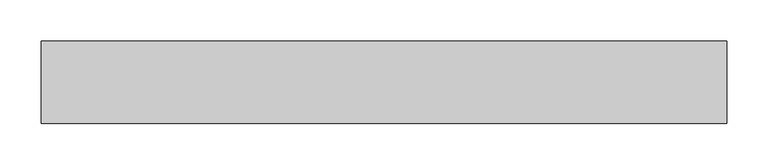
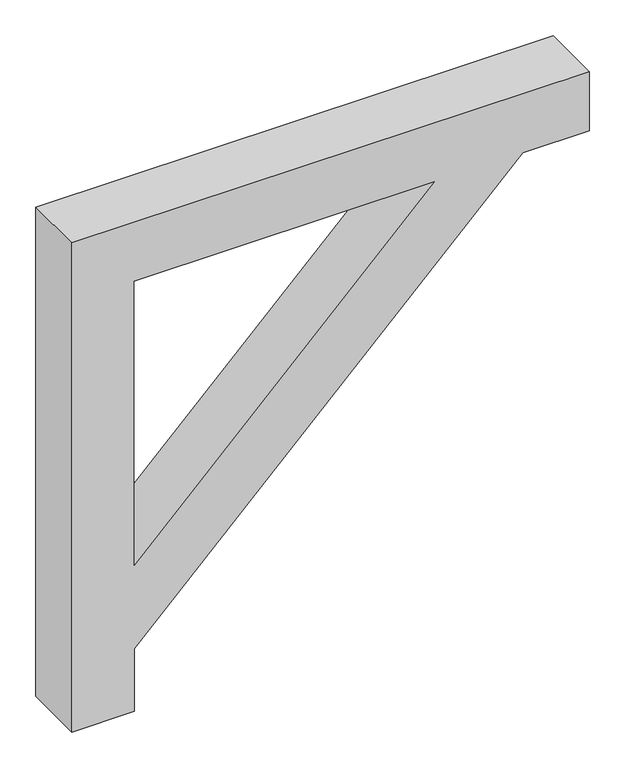
"""IFC4 building model written with IfcOpenShell, lengths in millimetres: proxy geometry."""

from ifc_helpers import new_model, si_unit, frame, origin, place, context, project, spatial, polyline, outline, extrude, source, transform, mapped, element, save


def generic_models_fbcafe2a(model_context):
    return source(origin(), model_context, "Body", "SweptSolid", [
        extrude(outline(polyline([(980.0, 5834.1270411), (980.0, 5934.1270411), (1086.7258831, 5934.1270411), (1710.0, 6557.401158), (1710.0, 6664.1270411), (1810.0, 6664.1270411), (1810.0, 5834.1270411), (980.0, 5834.1270411)]), holes=[polyline([(1710.0, 5934.1270411), (1710.0, 6415.9798017), (1228.1472394, 5934.1270411), (1710.0, 5934.1270411)])]), frame((0.0, 2419.2068086, 0.0), z_axis=(0.0, 1.0, 0.0), x_axis=(0.0, 0.0, 1.0)), (0.0, 0.0, 1.0), 100.0),
    ])


if __name__ == "__main__":
    model = new_model("IFC4")
    model_context = context("Model", 3, world=origin())
    ifc_project = project(units=[si_unit("LENGTHUNIT", "METRE", prefix="MILLI")], contexts=[model_context])
    site = spatial("IfcSite", under=ifc_project)
    building = spatial("IfcBuilding", under=site)
    placement = place(None, origin())
    generic_models_shape = generic_models_fbcafe2a(model_context)
    element("IfcBuildingElementProxy", 1, Name="Generic Models", at=placement, inside=building, context=model_context, shape_type="MappedRepresentation", body=[
        mapped(generic_models_shape, transform((0.0, 0.0, 0.0), x_axis=(1.0, 0.0, 0.0), y_axis=(0.0, 1.0, 0.0), z_axis=(0.0, 0.0, 1.0))),
    ])
    save(model, "model.ifc")
